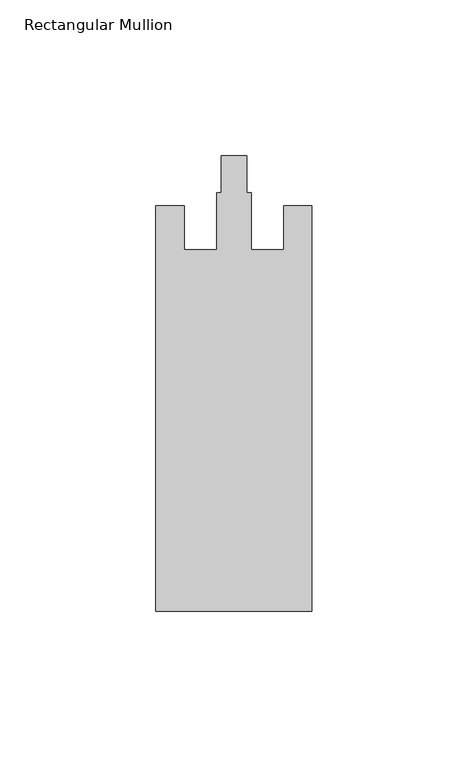
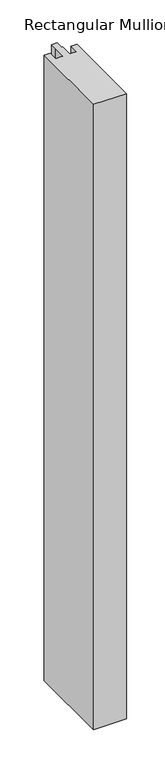
"""IFC4 building model written with IfcOpenShell, lengths in millimetres: member geometry, Rectangular Mullion."""

from ifc_helpers import new_model, si_unit, frame, origin, place, context, project, spatial, polyline, outline, extrude, source, transform, mapped, element, save


def rectangular_mullion_9324f162(model_context):
    return source(origin(), model_context, "Body", "SweptSolid", [
        extrude(outline(polyline([(25.0, -153.0), (-25.0, -153.0), (-25.0, -23.0), (-16.0, -23.0), (-16.0, -37.0), (-5.5, -37.0), (-5.5, -18.8), (-4.1, -18.8), (-4.1, -7.0), (4.1, -7.0), (4.1, -18.8), (5.5, -18.8), (5.5, -37.0), (16.0, -37.0), (16.0, -23.0), (25.0, -23.0), (25.0, -153.0)])), frame((0.0, 0.0, -1000.0), z_axis=(0.0, 0.0, 1.0), x_axis=(1.0, 0.0, 0.0)), (0.0, 0.0, 1.0), 1000.0),
    ])


if __name__ == "__main__":
    model = new_model("IFC4")
    model_context = context("Model", 3, world=origin())
    ifc_project = project(units=[si_unit("LENGTHUNIT", "METRE", prefix="MILLI")], contexts=[model_context])
    site = spatial("IfcSite", under=ifc_project)
    building = spatial("IfcBuilding", under=site)
    placement = place(None, origin())
    rectangular_mullion_shape = rectangular_mullion_9324f162(model_context)
    element("IfcMember", 1, ObjectType="Rectangular Mullion", at=placement, inside=building, context=model_context, shape_type="MappedRepresentation", body=[
        mapped(rectangular_mullion_shape, transform((0.0, 0.0, 0.0), x_axis=(1.0, 0.0, 0.0), y_axis=(0.0, 1.0, 0.0), z_axis=(0.0, 0.0, 1.0))),
    ])
    save(model, "model.ifc")
